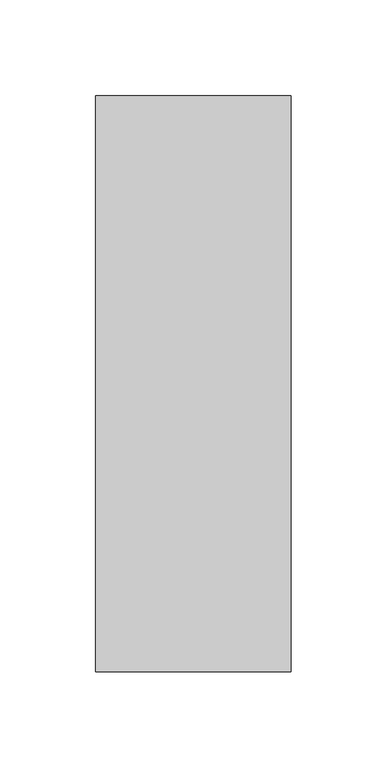
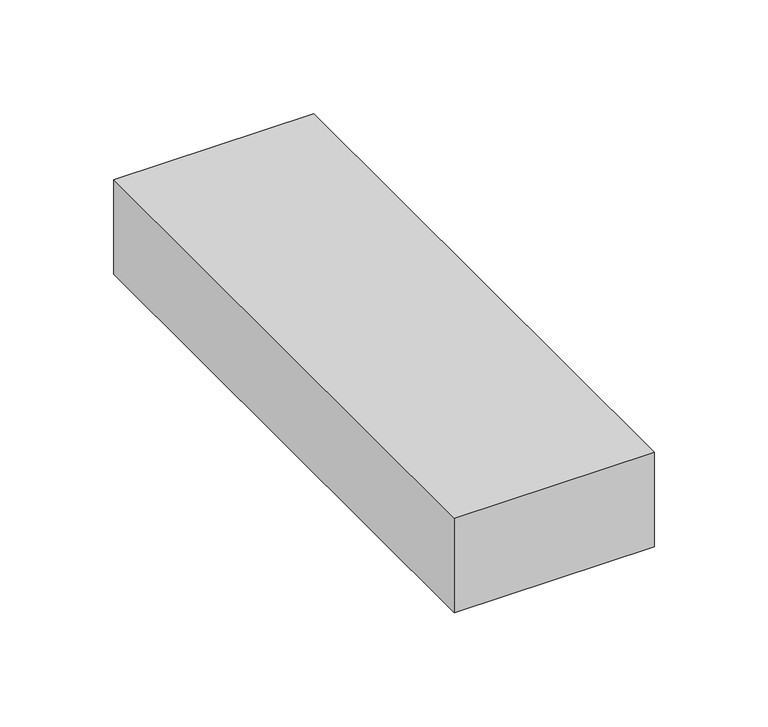
"""IFC4 building model written with IfcOpenShell, lengths in millimetres: proxy geometry."""

from ifc_helpers import new_model, si_unit, origin, origin_with_axes, place, context, project, spatial, polyline, outline, extrude, source, transform, mapped, element, save


def generic_models_ce42261d(model_context):
    return source(origin(), model_context, "Body", "SweptSolid", [
        extrude(outline(polyline([(101.6, 0.0), (0.0, 0.0), (0.0, 300.0), (101.6, 300.0), (101.6, 0.0)])), origin_with_axes(), (0.0, 0.0, 1.0), 50.8),
    ])


if __name__ == "__main__":
    model = new_model("IFC4")
    model_context = context("Model", 3, world=origin())
    ifc_project = project(units=[si_unit("LENGTHUNIT", "METRE", prefix="MILLI")], contexts=[model_context])
    site = spatial("IfcSite", under=ifc_project)
    building = spatial("IfcBuilding", under=site)
    placement = place(None, origin())
    generic_models_shape = generic_models_ce42261d(model_context)
    element("IfcBuildingElementProxy", 1, Name="Generic Models", at=placement, inside=building, context=model_context, shape_type="MappedRepresentation", body=[
        mapped(generic_models_shape, transform((0.0, 0.0, 0.0), x_axis=(1.0, 0.0, 0.0), y_axis=(0.0, 1.0, 0.0), z_axis=(0.0, 0.0, 1.0))),
    ])
    save(model, "model.ifc")
